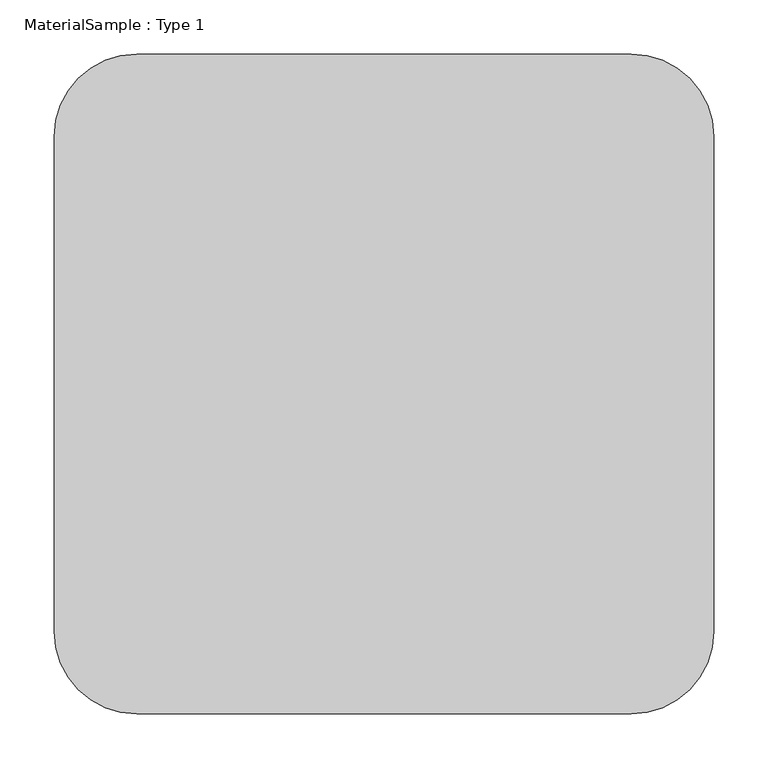
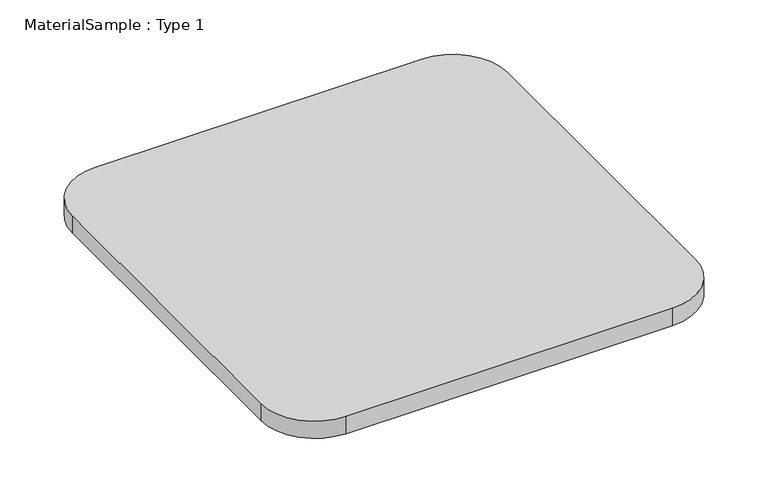
"""IFC4 building model written with IfcOpenShell, lengths in millimetres: proxy geometry, MaterialSample : Type 1."""

from ifc_helpers import new_model, si_unit, point, frame_2d, origin, origin_with_axes, place, context, project, spatial, polyline, circle_curve, trimmed, segment, composite_curve, outline, extrude, source, transform, mapped, element, save


def materialsample_type_1_9638d12c(model_context):
    return source(origin(), model_context, "Body", "SweptSolid", [
        extrude(outline(composite_curve([segment(polyline([(533.4, 0.0), (76.2, 0.0)]), True, "CONTINUOUS"), segment(trimmed(circle_curve(frame_2d((76.2, 76.2)), 76.2), [point((76.2, 0.0))], [point((0.0, 76.2))], False, "CARTESIAN"), True, "CONTINUOUS"), segment(polyline([(0.0, 76.2), (0.0, 533.4)]), True, "CONTINUOUS"), segment(trimmed(circle_curve(frame_2d((76.2, 533.4)), 76.2), [point((0.0, 533.4))], [point((76.2, 609.6))], False, "CARTESIAN"), True, "CONTINUOUS"), segment(polyline([(76.2, 609.6), (533.4, 609.6)]), True, "CONTINUOUS"), segment(trimmed(circle_curve(frame_2d((533.4, 533.4)), 76.2), [point((533.4, 609.6))], [point((609.6, 533.4))], False, "CARTESIAN"), True, "CONTINUOUS"), segment(polyline([(609.6, 533.4), (609.6, 76.2)]), True, "CONTINUOUS"), segment(trimmed(circle_curve(frame_2d((533.4, 76.2)), 76.2), [point((609.6, 76.2))], [point((533.4, 0.0))], False, "CARTESIAN"), True, "CONTINUOUS")], self_intersect=False)), origin_with_axes(), (0.0, 0.0, 1.0), 25.4),
    ])


if __name__ == "__main__":
    model = new_model("IFC4")
    model_context = context("Model", 3, world=origin())
    ifc_project = project(units=[si_unit("LENGTHUNIT", "METRE", prefix="MILLI")], contexts=[model_context])
    site = spatial("IfcSite", under=ifc_project)
    building = spatial("IfcBuilding", under=site)
    placement = place(None, origin())
    materialsample_type_1_shape = materialsample_type_1_9638d12c(model_context)
    element("IfcBuildingElementProxy", 1, Name="MaterialSample : Type 1", ObjectType="MaterialSample : Type 1", at=placement, inside=building, context=model_context, shape_type="MappedRepresentation", body=[
        mapped(materialsample_type_1_shape, transform((0.0, 0.0, 0.0), x_axis=(1.0, 0.0, 0.0), y_axis=(0.0, 1.0, 0.0), z_axis=(0.0, 0.0, 1.0))),
    ])
    save(model, "model.ifc")
